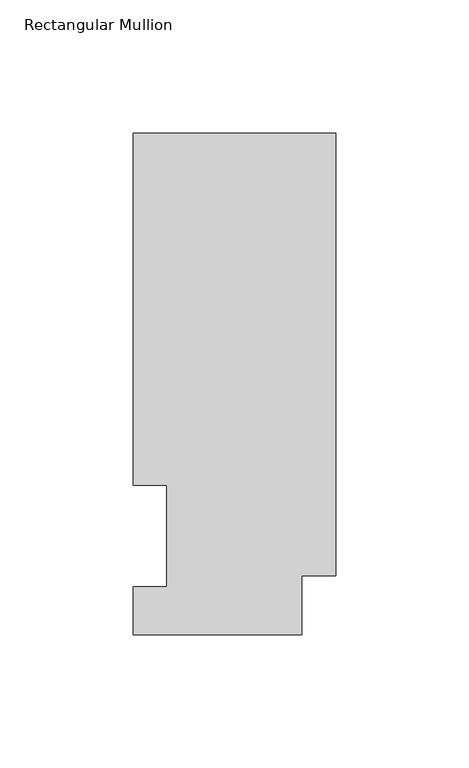
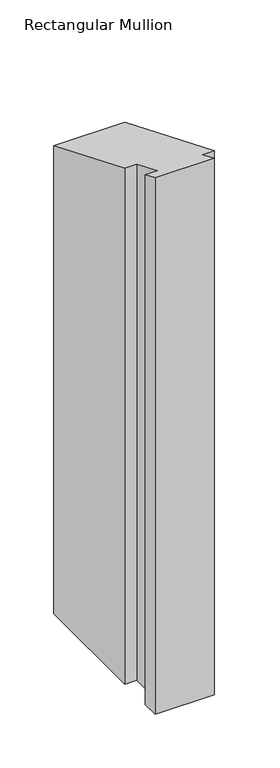
"""IFC4 building model written with IfcOpenShell, lengths in millimetres: member geometry, Rectangular Mullion."""

from ifc_helpers import new_model, si_unit, origin, place, context, project, spatial, faceted_brep, source, transform, mapped, element, save


def rectangular_mullion_c843aceb(model_context):
    return source(origin(), model_context, "Body", "Brep", [
        faceted_brep([(-76.2, 189.0897822, -609.6), (0.0, 189.0897822, -609.6), (0.0, 22.6195299, -609.6), (-12.7, 22.6195299, -609.6), (-12.7, 0.5199062, -609.6), (-76.2, 0.5199062, -609.6), (-76.2, 18.5539063, -609.6), (-63.5762, 18.5539063, -609.6), (-63.5762, 56.6539062, -609.6), (-76.2, 56.6539062, -609.6), (-76.2, 56.6539062, -23.4668163), (-76.2, 189.0897822, -78.3235523), (-63.5762, 56.6539062, -23.4668163), (-63.5762, 18.5539063, -7.6852796), (-76.2, 18.5539063, -7.6852796), (-76.2, 0.5199062, -0.2153522), (-12.7, 0.5199062, -0.2153522), (-12.7, 22.6195299, -9.3693161), (0.0, 22.6195299, -9.3693161), (0.0, 189.0897822, -78.3235523)], [[[0, 1, 2, 3, 4, 5, 6, 7, 8, 9]], [[10, 11, 0, 9]], [[12, 10, 9, 8]], [[13, 12, 8, 7]], [[14, 13, 7, 6]], [[15, 14, 6, 5]], [[16, 15, 5, 4]], [[17, 16, 4, 3]], [[18, 17, 3, 2]], [[19, 18, 2, 1]], [[11, 19, 1, 0]], [[11, 10, 12, 13, 14, 15, 16, 17, 18, 19]]]),
    ])


if __name__ == "__main__":
    model = new_model("IFC4")
    model_context = context("Model", 3, world=origin())
    ifc_project = project(units=[si_unit("LENGTHUNIT", "METRE", prefix="MILLI")], contexts=[model_context])
    site = spatial("IfcSite", under=ifc_project)
    building = spatial("IfcBuilding", under=site)
    placement = place(None, origin())
    rectangular_mullion_shape = rectangular_mullion_c843aceb(model_context)
    element("IfcMember", 1, ObjectType="Rectangular Mullion", at=placement, inside=building, context=model_context, shape_type="MappedRepresentation", body=[
        mapped(rectangular_mullion_shape, transform((0.0, 0.0, 0.0), x_axis=(1.0, 0.0, 0.0), y_axis=(0.0, 1.0, 0.0), z_axis=(0.0, 0.0, 1.0))),
    ])
    save(model, "model.ifc")
